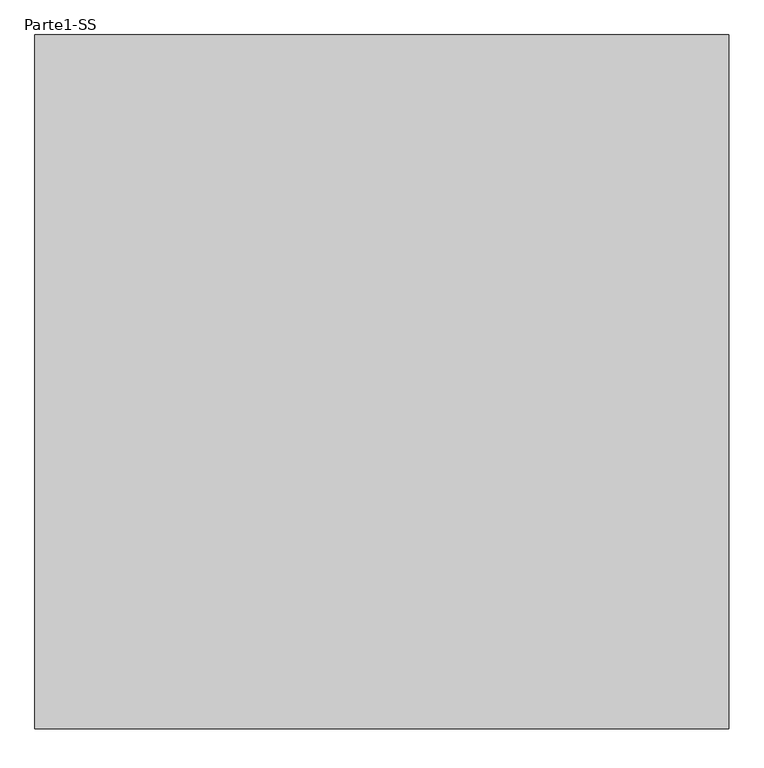
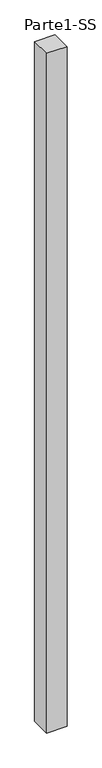
"""IFC4 building model written with IfcOpenShell, lengths in millimetres: proxy geometry, Parte1-SS."""

from ifc_helpers import new_model, si_unit, frame, origin, place, context, project, spatial, polyline, outline, extrude, source, transform, mapped, element, save


def parte1_ss_bfecec6a(model_context):
    return source(origin(), model_context, "Body", "SweptSolid", [
        extrude(outline(polyline([(2000.0, 2000.0), (2000.0, 0.0), (0.0, 0.0), (0.0, 2000.0), (2000.0, 2000.0)])), frame((0.0, 0.0, 10000.0), z_axis=(0.0, 0.0, 1.0), x_axis=(1.0, 0.0, 0.0)), (0.0, 0.0, 1.0), 70000.0),
    ])


if __name__ == "__main__":
    model = new_model("IFC4")
    model_context = context("Model", 3, world=origin())
    ifc_project = project(units=[si_unit("LENGTHUNIT", "METRE", prefix="MILLI")], contexts=[model_context])
    site = spatial("IfcSite", under=ifc_project)
    building = spatial("IfcBuilding", under=site)
    placement = place(None, origin())
    parte1_ss_shape = parte1_ss_bfecec6a(model_context)
    element("IfcBuildingElementProxy", 1, Name="Parte1-SS", ObjectType="Parte1-SS", at=placement, inside=building, context=model_context, shape_type="MappedRepresentation", body=[
        mapped(parte1_ss_shape, transform((0.0, 0.0, 0.0), x_axis=(1.0, 0.0, 0.0), y_axis=(0.0, 1.0, 0.0), z_axis=(0.0, 0.0, 1.0))),
    ])
    save(model, "model.ifc")
